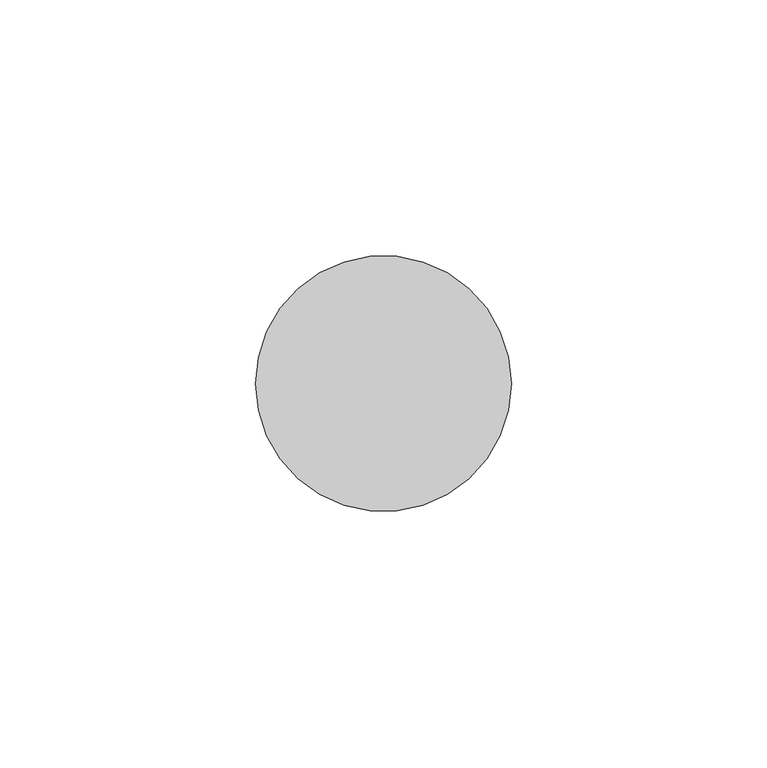
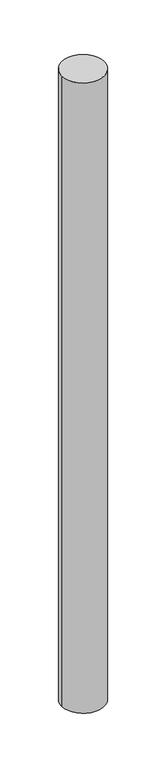
"""IFC4 building model written with IfcOpenShell, lengths in millimetres: member geometry."""

from ifc_helpers import new_model, si_unit, point, frame, origin, origin_2d, place, context, project, spatial, circle_curve, trimmed, segment, composite_curve, outline, extrude, source, transform, mapped, element, save


def member_97b66853(model_context):
    return source(origin(), model_context, "Body", "SweptSolid", [
        extrude(outline(composite_curve([segment(trimmed(circle_curve(origin_2d(), 25.0), [point((25.0, 0.0))], [point((-25.0, 0.0))], False, "CARTESIAN"), True, "CONTINUOUS"), segment(trimmed(circle_curve(origin_2d(), 25.0), [point((-25.0, 0.0))], [point((25.0, 0.0))], False, "CARTESIAN"), True, "CONTINUOUS")], self_intersect=False)), frame((0.0, 0.0, -778.0), z_axis=(0.0, 0.0, 1.0), x_axis=(1.0, 0.0, 0.0)), (0.0, 0.0, 1.0), 778.0),
    ])


if __name__ == "__main__":
    model = new_model("IFC4")
    model_context = context("Model", 3, world=origin())
    ifc_project = project(units=[si_unit("LENGTHUNIT", "METRE", prefix="MILLI")], contexts=[model_context])
    site = spatial("IfcSite", under=ifc_project)
    building = spatial("IfcBuilding", under=site)
    placement = place(None, origin())
    member_shape = member_97b66853(model_context)
    element("IfcMember", 1, at=placement, inside=building, context=model_context, shape_type="MappedRepresentation", body=[
        mapped(member_shape, transform((0.0, 0.0, 0.0), x_axis=(1.0, 0.0, 0.0), y_axis=(0.0, 1.0, 0.0), z_axis=(0.0, 0.0, 1.0))),
    ])
    save(model, "model.ifc")
